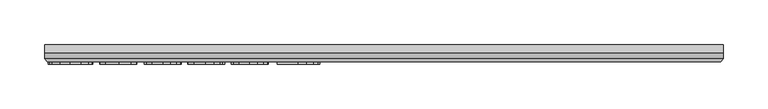
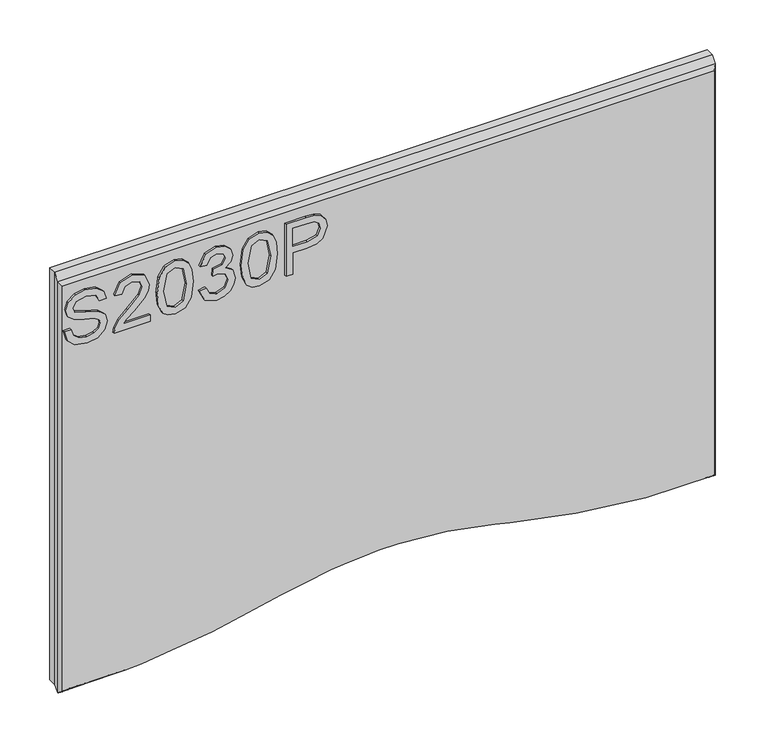
"""IFC4 building model written with IfcOpenShell, lengths in millimetres: furniture geometry."""

from ifc_helpers import new_model, si_unit, frame, origin, place, context, project, spatial, polyline, outline, extrude, faceted_brep, source, transform, mapped, element, save
from ifc_brep_helpers import plane_surface, spline_surface, advanced_brep


def furniture_fe0d57f6(model_context):
    return source(origin(), model_context, "Body", "SolidModel", [
        extrude(outline(polyline([(1545.7507479, -300.8004334), (1533.5721371, -297.3586521), (1525.5049754, -288.3492833), (1522.826304, -274.1071611), (1525.3103045, -262.0453528), (1532.2717355, -253.8224544), (1541.8106091, -250.9646858), (1550.8277647, -253.4486863), (1557.2908382, -261.1654404), (1561.2932717, -275.2751864), (1565.7473416, -288.2947755), (1571.2759949, -290.8332839), (1577.8948051, -287.2513395), (1580.6357712, -275.8358386), (1577.8636577, -264.451485), (1569.6719067, -259.9351203), (1569.6719067, -251.9614007), (1579.6546299, -255.122856), (1586.3357348, -263.5326384), (1588.6094908, -276.147312), (1586.4369637, -287.9677284), (1580.0673322, -296.0426768), (1571.0423898, -298.8070035), (1563.1153912, -296.5721817), (1557.1818225, -289.7898479), (1553.2494705, -277.2919768), (1550.2048178, -265.681805), (1546.5839393, -260.2621674), (1541.6081514, -258.9384054), (1536.2585953, -260.7060171), (1532.2561618, -266.0867204), (1530.8000236, -274.4186345), (1532.723372, -283.9808686), (1537.7692414, -290.257058), (1545.7507479, -292.8267138), (1545.7507479, -300.8004334)])), frame((0.0, -53.0967162, 0.0), z_axis=(0.0, 1.0, 0.0), x_axis=(0.0, 0.0, 1.0)), (0.0, 0.0, 1.0), 2.38125),
        extrude(outline(polyline([(1531.7967385, -201.1289382), (1531.7967385, -232.4475908), (1535.8536799, -228.8500728), (1543.5237129, -219.6771805), (1554.4486432, -208.2538927), (1562.2666261, -203.5428572), (1569.8276434, -202.1256531), (1582.5046117, -207.3817671), (1587.6127759, -221.6550367), (1583.0185429, -235.8815853), (1569.6719067, -241.9942512), (1568.6751918, -234.0205316), (1576.7267798, -230.6644054), (1579.6390563, -221.8263471), (1576.6566982, -213.3464832), (1569.3448596, -210.0993727), (1560.3121304, -213.541154), (1547.0277889, -227.3082793), (1537.7848151, -237.2910025), (1529.3205248, -242.1344142), (1523.8230189, -242.9909661), (1523.8230189, -201.1289382), (1531.7967385, -201.1289382)])), frame((0.0, -53.0967162, 0.0), z_axis=(0.0, 1.0, 0.0), x_axis=(0.0, 0.0, 1.0)), (0.0, 0.0, 1.0), 2.38125),
        extrude(outline(polyline([(1555.2039663, -193.1552185), (1539.6886964, -191.5667041), (1528.9000357, -186.8011607), (1524.3447369, -180.5093976), (1522.826304, -172.2242045), (1526.3225931, -160.551738), (1536.9282632, -153.6136675), (1555.2039663, -151.2931905), (1570.1936247, -152.741542), (1579.6312694, -156.479223), (1585.5570513, -162.9111492), (1587.6127759, -172.2242045), (1584.1398472, -183.84995), (1573.5575377, -190.811381), (1555.2039663, -193.1552185)]), holes=[polyline([(1555.2195399, -185.1814989), (1575.3718704, -181.3192285), (1579.6390563, -172.3176466), (1574.7956445, -162.8800019), (1555.2195399, -159.2669102), (1535.4331908, -163.0045912), (1530.8000236, -172.2242045), (1535.4176171, -181.4438178), (1555.2195399, -185.1814989)])]), frame((0.0, -53.0967162, 0.0), z_axis=(0.0, 1.0, 0.0), x_axis=(0.0, 0.0, 1.0)), (0.0, 0.0, 1.0), 2.38125),
        extrude(outline(polyline([(1540.7671731, -144.3161859), (1527.8254524, -137.9777017), (1522.826304, -123.992545), (1524.2902291, -115.4698535), (1528.6820043, -108.559037), (1535.1762252, -103.9803776), (1542.9474871, -102.4541579), (1553.319552, -105.5065974), (1558.7703369, -114.1967059), (1564.0498115, -107.655764), (1571.4005842, -105.4443027), (1579.4443854, -107.7725666), (1585.4246751, -114.5003925), (1587.6127759, -124.1171344), (1583.1742796, -136.7941027), (1570.6686217, -143.3194709), (1569.6719067, -135.3457513), (1577.1472689, -131.4367598), (1579.6390563, -123.8368083), (1577.1706294, -116.3302989), (1570.9333741, -113.4180224), (1563.8940747, -117.4360295), (1561.6981871, -127.7613735), (1553.7244675, -128.6490727), (1554.5965931, -123.0581248), (1551.333909, -113.9942482), (1543.0876501, -110.4278775), (1534.3352469, -114.0253955), (1530.8000236, -123.712219), (1533.3696793, -131.9429042), (1541.7638881, -136.3424663), (1540.7671731, -144.3161859)])), frame((0.0, -53.0967162, 0.0), z_axis=(0.0, 1.0, 0.0), x_axis=(0.0, 0.0, 1.0)), (0.0, 0.0, 1.0), 2.38125),
        extrude(outline(polyline([(1555.2039663, -95.4771532), (1539.6886964, -93.8886388), (1528.9000357, -89.1230954), (1524.3447369, -82.8313323), (1522.826304, -74.5461392), (1526.3225931, -62.8736727), (1536.9282632, -55.9356022), (1555.2039663, -53.6151252), (1570.1936247, -55.0634766), (1579.6312694, -58.8011577), (1585.5570513, -65.2330839), (1587.6127759, -74.5461392), (1584.1398472, -86.1718847), (1573.5575377, -93.1333157), (1555.2039663, -95.4771532)]), holes=[polyline([(1555.2195399, -87.5034336), (1575.3718704, -83.6411632), (1579.6390563, -74.6395812), (1574.7956445, -65.2019365), (1555.2195399, -61.5888448), (1535.4331908, -65.3265259), (1530.8000236, -74.5461392), (1535.4176171, -83.7657525), (1555.2195399, -87.5034336)])]), frame((0.0, -53.0967162, 0.0), z_axis=(0.0, 1.0, 0.0), x_axis=(0.0, 0.0, 1.0)), (0.0, 0.0, 1.0), 2.38125),
        extrude(outline(polyline([(1523.8230189, -43.6479757), (1523.8230189, -35.6742561), (1549.7376077, -35.6742561), (1549.7376077, -19.4620644), (1551.1470249, -8.1341654), (1555.3752766, -0.9371826), (1569.1579756, 4.194342), (1577.8558709, 2.2943541), (1584.0230447, -2.7281548), (1587.0054027, -10.4760562), (1587.6127759, -20.0071429), (1587.6127759, -43.6479757), (1523.8230189, -43.6479757)]), holes=[polyline([(1557.7113273, -35.6742561), (1579.6390563, -35.6742561), (1579.6390563, -19.1817383), (1579.0939778, -11.2080187), (1575.4808861, -5.8273154), (1568.8776495, -3.7793776), (1560.6391775, -7.2523063), (1557.7113273, -18.9948543), (1557.7113273, -35.6742561)])]), frame((0.0, -53.0967162, 0.0), z_axis=(0.0, 1.0, 0.0), x_axis=(0.0, 0.0, 1.0)), (0.0, 0.0, 1.0), 2.38125),
        advanced_brep(
        [(454.0377068, -50.7154662, 1600.2643189), (-301.6122932, -50.7154662, 1600.2643189), (-301.6122932, -50.7154662, 1104.5203278), (-228.9488922, -50.7154662, 1104.5203278), (-209.2456512, -50.7154662, 1105.5890923), (-175.088641, -50.7154662, 1110.0835264), (-127.6894211, -50.7154662, 1116.3167723), (-110.6804919, -50.7154662, 1119.9315199), (-47.5639128, -50.7154662, 1133.3451553), (-19.05431, -50.7154662, 1138.9212153), (8.1226804, -50.7154662, 1144.1953747), (13.4880655, -50.7154662, 1144.6234325), (31.4314961, -50.7154662, 1146.0549959), (45.057319, -50.7154662, 1147.1421193), (64.7426618, -50.7154662, 1148.7126431), (87.7056456, -50.7154662, 1148.7126431), (144.3322215, -50.7154662, 1144.1911963), (199.895388, -50.7154662, 1133.3634273), (217.0168426, -50.7154662, 1129.1693405), (293.2297498, -50.7154662, 1114.1527152), (327.5841541, -50.7154662, 1110.0747668), (374.4548905, -50.7154662, 1104.5203278), (454.0377068, -50.7154662, 1104.5203278), (457.2127068, -47.1322389, 1605.0268189), (457.2127068, -47.1322389, 1101.2180191), (392.4352882, -47.1322389, 1103.7653492), (375.0599353, -47.1322389, 1104.4486267), (327.5847662, -47.1322389, 1110.0746942), (293.2297498, -47.1322389, 1114.1527152), (217.0168426, -47.1322389, 1129.1693405), (199.895388, -47.1322389, 1133.3634273), (144.3322215, -47.1322389, 1144.1911963), (87.7056456, -47.1322389, 1148.7126431), (64.7426618, -47.1322389, 1148.7126431), (45.057319, -47.1322389, 1147.1421193), (31.4314833, -47.1322389, 1146.0549949), (13.4880655, -47.1322389, 1144.6234325), (8.1226804, -47.1322389, 1144.1953747), (-19.0634253, -47.1322389, 1138.9194394), (-47.5639128, -47.1322389, 1133.3451553), (-110.6804919, -47.1322389, 1119.9315199), (-127.6894211, -47.1322389, 1116.3167723), (-175.088641, -47.1322389, 1110.0835264), (-209.2456512, -47.1322389, 1105.5890923), (-286.9546219, -47.1322389, 1101.3739186), (-304.7872932, -47.1322389, 1101.222699), (-304.7872932, -47.1322389, 1605.0268189)],
        [
            (0, 1),
            (1, 2),
            (2, 3),
            (3, 4),
            (4, 5),
            (5, 6),
            (6, 7),
            (7, 8),
            (8, 9),
            (9, 10),
            (10, 11),
            (11, 12),
            (12, 13),
            (13, 14),
            (14, 15),
            (15, 16),
            (16, 17),
            (17, 18),
            (18, 19),
            (19, 20),
            (20, 21),
            (21, 22),
            (22, 0),
            (23, 24),
            (24, 25),
            (25, 26),
            (26, 27),
            (27, 28),
            (28, 29),
            (29, 30),
            (30, 31),
            (31, 32),
            (32, 33),
            (33, 34),
            (34, 35),
            (35, 36),
            (36, 37),
            (37, 38),
            (38, 39),
            (39, 40),
            (40, 41),
            (41, 42),
            (42, 43),
            (43, 44),
            (44, 45),
            (45, 46),
            (46, 23),
            (0, 23),
            (46, 1),
            (45, 2),
            (22, 24),
            (25, 21),
            (21, 26),
            (44, 3),
            (43, 4),
            (42, 5),
            (41, 6),
            (40, 7),
            (39, 8),
            (38, 9),
            (37, 10),
            (36, 11),
            (35, 12),
            (34, 13),
            (33, 14),
            (32, 15),
            (31, 16),
            (30, 17),
            (29, 18),
            (28, 19),
            (27, 20),
        ],
        [
            plane_surface(frame((51.897022, -50.7154662, 1167.5299178), z_axis=(0.0, -1.0, 0.0), x_axis=(-1.0, 0.0, 0.0))),
            plane_surface(frame((63.6944462, -47.1322389, 1164.8608474), z_axis=(0.0, 1.0, 0.0), x_axis=(-1.0, 0.0, 0.0))),
            plane_surface(frame((76.2127068, -47.1322389, 1605.0268189), z_axis=(0.0, -0.7990847901636523, 0.6012183448042083), x_axis=(-1.0, 0.0, 0.0))),
            plane_surface(frame((-304.7872932, -47.1322389, 1353.124759), z_axis=(-0.748454998935476, -0.6631855807905483, 0.0), x_axis=(0.0, 0.0, -1.0))),
            plane_surface(frame((457.2127068, -47.1322389, 1353.122419), z_axis=(0.7484549989354783, -0.6631855807905456, 0.0), x_axis=(0.0, 0.0, 1.0))),
            plane_surface(frame((383.7476118, -47.1322389, 1104.106988), z_axis=(-0.03929064853359285, -0.013358558762881072, -0.9991385258539421), x_axis=(0.9992276864678358, 0.0, -0.03929415473243608))),
            spline_surface(1, 1, [[(392.4352882, -47.1322389, 1103.7653492), (374.4548905, -50.7154662, 1104.5203278)], [(457.2127068, -47.1322389, 1101.2180191), (454.0377068, -50.7154662, 1104.5203278)]], [2, 2], [2, 2], [0.0, 1.0], [0.0, 1.0]),
            spline_surface(1, 1, [[(-304.7872932, -47.1322389, 1101.222699), (-301.6122932, -50.7154662, 1104.5203278)], [(-286.9546219, -47.1322389, 1101.3739186), (-228.9488922, -50.7154662, 1104.5203278)]], [2, 2], [2, 2], [0.0, 1.0], [0.0, 1.0]),
            plane_surface(frame((-248.1001365, -47.1322389, 1103.4815054), z_axis=(0.05416345202663151, 1.5529877686390033e-11, -0.9985320828418879), x_axis=(0.9985320828418879, 0.0, 0.05416345202663151))),
            plane_surface(frame((-192.1671461, -47.1322389, 1107.8363093), z_axis=(0.13045709926492022, -2.640658151133538e-12, -0.9914539551846988), x_axis=(0.9914539551846988, 0.0, 0.13045709926492022))),
            plane_surface(frame((-151.389031, -47.1322389, 1113.2001493), z_axis=(0.13038268108703352, 2.0897534702925705e-12, -0.9914637444064996), x_axis=(0.9914637444064996, 0.0, 0.13038268108703352))),
            plane_surface(frame((-119.1849565, -47.1322389, 1118.1241461), z_axis=(0.2078780195167125, 3.719938508923572e-12, -0.9781547571840611), x_axis=(0.9781547571840611, 0.0, 0.2078780195167125))),
            plane_surface(frame((-79.1222024, -47.1322389, 1126.6383376), z_axis=(0.2078789571664338, 1.3514463277058218e-12, -0.9781545579137256), x_axis=(0.9781545579137256, 0.0, 0.2078789571664338))),
            plane_surface(frame((-33.3091114, -47.1322389, 1136.1331853), z_axis=(0.19194842077358615, 0.0, -0.9814050151504864), x_axis=(0.9814050151504864, 0.0, 0.19194842077358615))),
            plane_surface(frame((-5.4703725, -47.1322389, 1141.5574071), z_axis=(0.19051294016627993, 0.0, -0.9816846844222433), x_axis=(0.9816846844222433, 0.0, 0.19051294016627993))),
            plane_surface(frame((10.8053709, -47.1322389, 1144.4094035), z_axis=(0.079528670976336, 0.0, -0.9968325789683732), x_axis=(0.9968325789683732, 0.0, 0.079528670976336))),
            plane_surface(frame((22.4597744, -47.1322389, 1145.3392137), z_axis=(0.07952932413597089, -1.8353595201853012e-12, -0.9968325268581858), x_axis=(0.9968325268581858, 0.0, 0.07952932413597089))),
            plane_surface(frame((38.2444012, -47.1322389, 1146.5985571), z_axis=(0.07953133016386693, 1.7458893043447203e-12, -0.9968323668111735), x_axis=(0.9968323668111735, 0.0, 0.07953133016386693))),
            plane_surface(frame((54.8999904, -47.1322389, 1147.9273812), z_axis=(0.07952867767679267, 0.0, -0.9968325784338015), x_axis=(0.9968325784338015, 0.0, 0.07952867767679267))),
            plane_surface(frame((76.2241537, -47.1322389, 1148.7126431), z_axis=(0.0, 0.0, -1.0), x_axis=(1.0, 0.0, 0.0))),
            plane_surface(frame((116.0189335, -47.1322389, 1146.4519197), z_axis=(-0.07959340744595089, 0.0, -0.9968274120885435), x_axis=(0.9968274120885435, 0.0, -0.07959340744595089))),
            plane_surface(frame((172.1138048, -47.1322389, 1138.7773118), z_axis=(-0.19127509761703154, 0.0, -0.9815364674996009), x_axis=(0.9815364674996009, 0.0, -0.19127509761703154))),
            plane_surface(frame((208.4561153, -47.1322389, 1131.2663839), z_axis=(-0.237926396048483, 0.0, -0.9712831873678142), x_axis=(0.9712831873678142, 0.0, -0.237926396048483))),
            plane_surface(frame((255.1232962, -47.1322389, 1121.6610279), z_axis=(-0.19331834354122127, 0.0, -0.9811360853879947), x_axis=(0.9811360853879947, 0.0, -0.19331834354122127))),
            plane_surface(frame((310.407258, -47.1322389, 1112.1137047), z_axis=(-0.11787480871369703, 8.289957063831403e-09, -0.9930284635752942), x_axis=(0.9930284635752942, 0.0, -0.11787480871369703))),
            plane_surface(frame((351.3223507, -47.1322389, 1107.2616605), z_axis=(-0.11768202128459412, -8.327109552560878e-09, -0.9930513289182853), x_axis=(0.9930513289182853, 0.0, -0.11768202128459412))),
        ],
        [
            (0, [[1, 2, 3, 4, 5, 6, 7, 8, 9, 10, 11, 12, 13, 14, 15, 16, 17, 18, 19, 20, 21, 22, 23]]),
            (1, [[24, 25, 26, 27, 28, 29, 30, 31, 32, 33, 34, 35, 36, 37, 38, 39, 40, 41, 42, 43, 44, 45, 46, 47]]),
            (2, [[-1, 48, -47, 49]]),
            (3, [[-2, -49, -46, 50]]),
            (4, [[-23, 51, -24, -48]]),
            (5, [[-26, 52, 53]]),
            (6, [[-22, -52, -25, -51]]),
            (7, [[-3, -50, -45, 54]]),
            (8, [[-4, -54, -44, 55]]),
            (9, [[-5, -55, -43, 56]]),
            (10, [[-6, -56, -42, 57]]),
            (11, [[-7, -57, -41, 58]]),
            (12, [[-8, -58, -40, 59]]),
            (13, [[-9, -59, -39, 60]]),
            (14, [[-10, -60, -38, 61]]),
            (15, [[-11, -61, -37, 62]]),
            (16, [[-12, -62, -36, 63]]),
            (17, [[-13, -63, -35, 64]]),
            (18, [[-14, -64, -34, 65]]),
            (19, [[-15, -65, -33, 66]]),
            (20, [[-16, -66, -32, 67]]),
            (21, [[-17, -67, -31, 68]]),
            (22, [[-18, -68, -30, 69]]),
            (23, [[-19, -69, -29, 70]]),
            (24, [[-20, -70, -28, 71]]),
            (25, [[-21, -71, -27, -53]]),
        ],
    ),
        faceted_brep([(457.2127068, -47.1322389, 1605.0268189), (-304.7872932, -47.1322389, 1605.0268189), (-304.7872932, -47.1322389, 1101.222699), (-286.9546219, -47.1322389, 1101.3739186), (-209.2456512, -47.1322389, 1105.5890923), (-175.0881684, -47.1322389, 1110.0835885), (-127.6894211, -47.1322389, 1116.3167723), (-110.6804978, -47.1322389, 1119.9315186), (-47.5639128, -47.1322389, 1133.3451553), (-19.05431, -47.1322389, 1138.9212153), (8.1226804, -47.1322389, 1144.1953747), (13.4880655, -47.1322389, 1144.6234325), (31.4314833, -47.1322389, 1146.0549949), (45.0573359, -47.1322389, 1147.1421206), (64.7426618, -47.1322389, 1148.7126431), (87.7056456, -47.1322389, 1148.7126431), (144.3322215, -47.1322389, 1144.1911963), (199.895388, -47.1322389, 1133.3634273), (217.0168426, -47.1322389, 1129.1693405), (293.2297498, -47.1322389, 1114.1527152), (327.583542, -47.1322389, 1110.0748394), (375.0599352, -47.1322389, 1104.4486267), (392.4352861, -47.1322389, 1103.7653493), (457.2127068, -47.1322389, 1101.2180191), (457.2127068, -41.2023724, 1612.7230189), (457.2127068, -41.2023724, 1107.572927), (392.684805, -41.2023724, 1110.1104451), (375.5591062, -41.2023724, 1110.783905), (328.332047, -41.2023724, 1116.3805702), (294.219231, -41.2023724, 1120.4298415), (218.3867594, -41.2023724, 1135.3715076), (201.2588805, -41.2023724, 1139.5671681), (145.1949697, -41.2023724, 1150.4925187), (87.9587561, -41.2023724, 1155.0626431), (64.4897578, -41.2023724, 1155.0626431), (44.3925483, -41.2023724, 1153.45926), (30.7667085, -41.2023724, 1152.3721349), (12.9830553, -41.2023724, 1150.9533191), (7.2626004, -41.2023724, 1150.4969334), (-20.2731825, -41.2023724, 1145.1531371), (-48.8334487, -41.2023724, 1139.5671681), (-112.0005232, -41.2023724, 1126.1428013), (-128.7650614, -41.2023724, 1122.5799919), (-175.916571, -41.2023724, 1116.3793211), (-209.832683, -41.2023724, 1111.9165848), (-287.1536175, -41.2023724, 1107.7224595), (-304.7872932, -41.2023724, 1107.5729274), (-304.7872932, -41.2023724, 1612.7230189)], [[[0, 1, 2, 3, 4, 5, 6, 7, 8, 9, 10, 11, 12, 13, 14, 15, 16, 17, 18, 19, 20, 21, 22, 23]], [[24, 25, 26, 27, 28, 29, 30, 31, 32, 33, 34, 35, 36, 37, 38, 39, 40, 41, 42, 43, 44, 45, 46, 47]], [[24, 47, 1, 0]], [[47, 46, 2, 1]], [[25, 24, 0, 23]], [[46, 45, 3, 2]], [[45, 44, 4, 3]], [[44, 43, 5, 4]], [[43, 42, 6, 5]], [[42, 41, 7, 6]], [[41, 40, 8, 7]], [[40, 39, 9, 8]], [[39, 38, 10, 9]], [[38, 37, 11, 10]], [[37, 36, 12, 11]], [[36, 35, 13, 12]], [[35, 34, 14, 13]], [[34, 33, 15, 14]], [[33, 32, 16, 15]], [[32, 31, 17, 16]], [[31, 30, 18, 17]], [[30, 29, 19, 18]], [[29, 28, 20, 19]], [[28, 27, 21, 20]], [[27, 26, 22, 21]], [[26, 25, 23, 22]]]),
        extrude(outline(polyline([(1612.7230189, 457.2127068), (1612.7230189, -304.7872932), (1107.5729274, -304.7872932), (1107.7224595, -287.1536175), (1111.9165848, -209.832683), (1116.3793211, -175.916571), (1122.5799919, -128.7650614), (1126.1428013, -112.0005232), (1139.5671681, -48.8334487), (1145.1531371, -20.2731825), (1150.4969334, 7.2626004), (1150.9533191, 12.9830543), (1152.3848814, 30.9264721), (1153.4720062, 44.5523119), (1155.0626431, 64.4897578), (1155.0626431, 87.9587561), (1150.4925187, 145.1949697), (1139.5671681, 201.2588805), (1135.3715076, 218.3867594), (1120.4298415, 294.219231), (1116.3805702, 328.332047), (1110.783905, 375.5591062), (1110.1104451, 392.684805), (1107.572927, 457.2127068), (1612.7230189, 457.2127068)])), frame((0.0, -41.2023724, 0.0), z_axis=(0.0, 1.0, 0.0), x_axis=(0.0, 0.0, 1.0)), (0.0, 0.0, 1.0), 10.033),
    ])


if __name__ == "__main__":
    model = new_model("IFC4")
    model_context = context("Model", 3, world=origin())
    ifc_project = project(units=[si_unit("LENGTHUNIT", "METRE", prefix="MILLI")], contexts=[model_context])
    site = spatial("IfcSite", under=ifc_project)
    building = spatial("IfcBuilding", under=site)
    placement = place(None, origin())
    furniture_shape = furniture_fe0d57f6(model_context)
    element("IfcFurniture", 1, at=placement, inside=building, context=model_context, shape_type="MappedRepresentation", body=[
        mapped(furniture_shape, transform((0.0, 0.0, 0.0), x_axis=(1.0, 0.0, 0.0), y_axis=(0.0, 1.0, 0.0), z_axis=(0.0, 0.0, 1.0))),
    ])
    save(model, "model.ifc")
